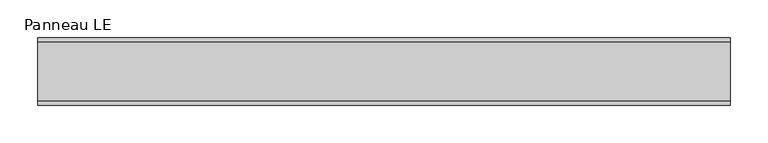
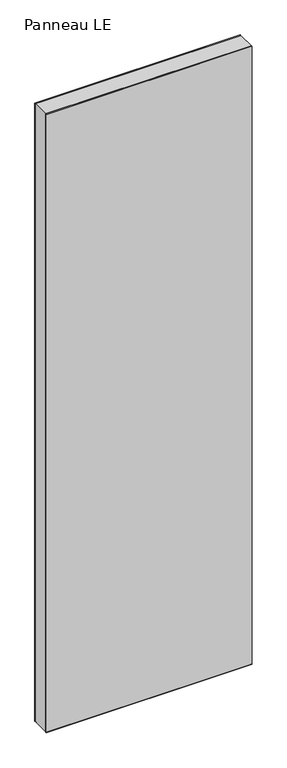
"""IFC4 building model written with IfcOpenShell, lengths in millimetres: plate geometry, Panneau LE."""

from ifc_helpers import new_model, si_unit, frame, origin, origin_with_axes, place, context, project, spatial, polyline, outline, extrude, source, transform, mapped, element, save


def panneau_le_25d63de6(model_context):
    return source(origin(), model_context, "Body", "SweptSolid", [
        extrude(outline(polyline([(2933.0, 461.7520247), (2933.0, -461.7520247), (0.0, -461.7520247), (0.0, 461.7520247), (2933.0, 461.7520247)]), holes=[polyline([(60.0, -421.7520247), (2873.0, -421.7520247), (2873.0, 421.7520247), (60.0, 421.7520247), (60.0, -421.7520247)])]), frame((0.0, -39.0, 0.0), z_axis=(0.0, 1.0, 0.0), x_axis=(0.0, 0.0, 1.0)), (0.0, 0.0, 1.0), 78.0),
        extrude(outline(polyline([(-461.7520247, 35.0), (-461.7520247, 45.0), (461.7520247, 45.0), (461.7520247, 35.0), (-461.7520247, 35.0)])), frame((0.0, 0.0, -1.5), z_axis=(0.0, 0.0, 1.0), x_axis=(1.0, 0.0, 0.0)), (0.0, 0.0, 1.0), 1.5),
        extrude(outline(polyline([(-461.7520247, -45.0), (-461.7520247, -35.0), (461.7520247, -35.0), (461.7520247, -45.0), (-461.7520247, -45.0)])), frame((0.0, 0.0, -1.5), z_axis=(0.0, 0.0, 1.0), x_axis=(1.0, 0.0, 0.0)), (0.0, 0.0, 1.0), 1.5),
        extrude(outline(polyline([(461.7520247, 39.0), (-461.7520247, 39.0), (-461.7520247, 45.0), (461.7520247, 45.0), (461.7520247, 39.0)])), origin_with_axes(), (0.0, 0.0, 1.0), 2933.0),
        extrude(outline(polyline([(-461.7520247, -45.0), (-461.7520247, -39.0), (461.7520247, -39.0), (461.7520247, -45.0), (-461.7520247, -45.0)])), origin_with_axes(), (0.0, 0.0, 1.0), 2933.0),
    ])


if __name__ == "__main__":
    model = new_model("IFC4")
    model_context = context("Model", 3, world=origin())
    ifc_project = project(units=[si_unit("LENGTHUNIT", "METRE", prefix="MILLI")], contexts=[model_context])
    site = spatial("IfcSite", under=ifc_project)
    building = spatial("IfcBuilding", under=site)
    placement = place(None, origin())
    panneau_le_shape = panneau_le_25d63de6(model_context)
    element("IfcPlate", 1, ObjectType="Panneau LE", at=placement, inside=building, context=model_context, shape_type="MappedRepresentation", body=[
        mapped(panneau_le_shape, transform((0.0, 0.0, 0.0), x_axis=(1.0, 0.0, 0.0), y_axis=(0.0, 1.0, 0.0), z_axis=(0.0, 0.0, 1.0))),
    ])
    save(model, "model.ifc")
